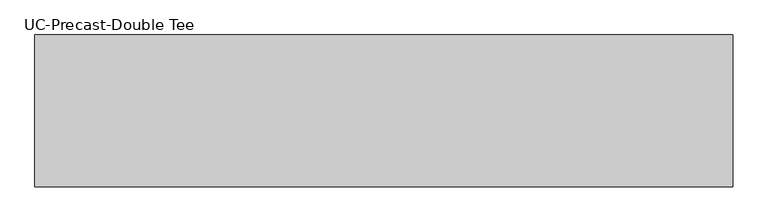
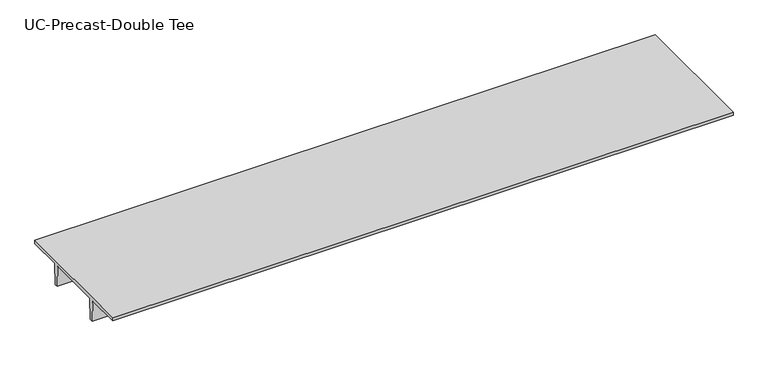
"""IFC4 building model written with IfcOpenShell, lengths in millimetres: beam geometry, UC-Precast-Double Tee."""

from ifc_helpers import new_model, si_unit, frame, origin, place, context, project, spatial, polyline, outline, extrude, source, transform, mapped, element, save


def uc_precast_double_tee_8e81e632(model_context):
    return source(origin(), model_context, "Body", "SweptSolid", [
        extrude(outline(polyline([(2032.0, 381.0), (2032.0, 279.4), (990.6, 279.4), (965.2, -381.0), (863.6, -381.0), (838.2, 279.4), (-838.2, 279.4), (-863.6, -381.0), (-965.2, -381.0), (-990.6, 279.4), (-2032.0, 279.4), (-2032.0, 381.0), (2032.0, 381.0)])), frame((-9448.8, 0.0, 0.0), z_axis=(1.0, 0.0, 0.0), x_axis=(0.0, 1.0, 0.0)), (0.0, 0.0, 1.0), 18694.4),
    ])


if __name__ == "__main__":
    model = new_model("IFC4")
    model_context = context("Model", 3, world=origin())
    ifc_project = project(units=[si_unit("LENGTHUNIT", "METRE", prefix="MILLI")], contexts=[model_context])
    site = spatial("IfcSite", under=ifc_project)
    building = spatial("IfcBuilding", under=site)
    placement = place(None, origin())
    uc_precast_double_tee_shape = uc_precast_double_tee_8e81e632(model_context)
    element("IfcBeam", 1, ObjectType="UC-Precast-Double Tee", at=placement, inside=building, context=model_context, shape_type="MappedRepresentation", body=[
        mapped(uc_precast_double_tee_shape, transform((0.0, 0.0, 0.0), x_axis=(1.0, 0.0, 0.0), y_axis=(0.0, 1.0, 0.0), z_axis=(0.0, 0.0, 1.0))),
    ])
    save(model, "model.ifc")
